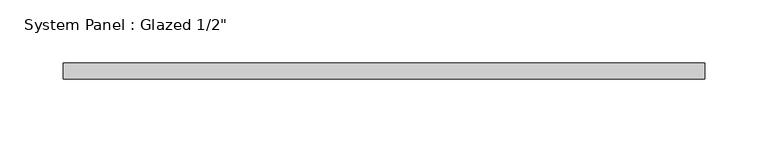
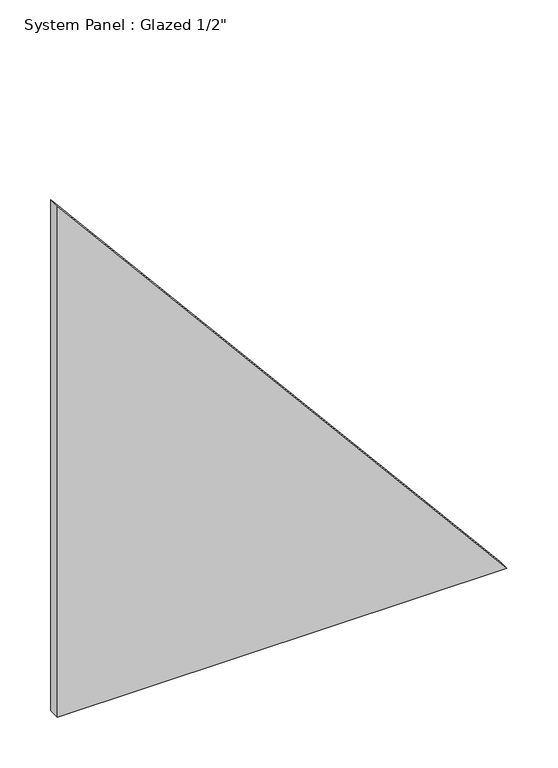
"""IFC4 building model written with IfcOpenShell, lengths in millimetres: plate geometry."""

import ifcopenshell
import ifcopenshell.guid

model = None  # the IFC model being written
_history = None  # IfcOwnerHistory: only IFC2X3 demands one
_inside = {}  # id of a spatial element -> (the spatial element, [elements in it])
_under = {}  # id of a project, library or spatial element -> (it, [spatial elements below it])
_declared = {}  # id of a project -> (the project, [libraries it declares])
_typed = {}  # id of a type object -> (the type object, [elements of that type])
_made_of = {}  # id of a material, layer set ... -> (it, [elements and type objects made of it])


def new_model(schema):
    """Start an empty IFC model of exactly this schema.

    Asked for "IFC4X3", IfcOpenShell would pick the latest addendum, in which some entities
    have other attributes; the version numbers below select the first issue.
    IFC2X3 requires an IfcOwnerHistory on every rooted entity: one is made here for all.
    """
    global model, _history
    if schema == "IFC4X3":
        model = ifcopenshell.file(schema_version=(4, 3, 0, 0))
    else:
        model = ifcopenshell.file(schema=schema)
    _inside.clear()
    _under.clear()
    _declared.clear()
    _typed.clear()
    _made_of.clear()
    _history = None
    if model.schema == "IFC2X3":
        org = make("IfcOrganization", Name="unknown")
        user = make(
            "IfcPersonAndOrganization",
            ThePerson=make("IfcPerson", FamilyName="unknown"),
            TheOrganization=org,
        )
        app = make(
            "IfcApplication",
            ApplicationDeveloper=org,
            Version="unknown",
            ApplicationFullName="unknown",
            ApplicationIdentifier="unknown",
        )
        _history = make(
            "IfcOwnerHistory",
            OwningUser=user,
            OwningApplication=app,
            ChangeAction="ADDED",
            CreationDate=0,
        )
    return model


def make(cls, **values):
    """One entity of the class cls with the attributes given. An attribute that is None is left unset."""
    return model.create_entity(
        cls, **{name: value for name, value in values.items() if value is not None}
    )


def rooted(cls, **values):
    """An entity with a GlobalId (a new one), such as an element, a storey or a relation."""
    return make(cls, GlobalId=ifcopenshell.guid.new(), OwnerHistory=_history, **values)


def si_unit(unit_type, name, prefix=None):
    """IfcSIUnit, for example si_unit("LENGTHUNIT", "METRE", prefix="MILLI")."""
    return make("IfcSIUnit", UnitType=unit_type, Prefix=prefix, Name=name)


def assignment(units):
    """IfcUnitAssignment: the units of a project."""
    return None if units is None else make("IfcUnitAssignment", Units=units)


def point(xyz):
    """IfcCartesianPoint."""
    return None if xyz is None else make("IfcCartesianPoint", Coordinates=xyz)


def direction(xyz):
    """IfcDirection."""
    return None if xyz is None else make("IfcDirection", DirectionRatios=xyz)


def frame(location, z_axis=None, x_axis=None):
    """IfcAxis2Placement3D, a coordinate frame: its origin and axes. An axis left out is left unset."""
    return make(
        "IfcAxis2Placement3D",
        Location=point(location),
        Axis=direction(z_axis),
        RefDirection=direction(x_axis),
    )


def origin():
    """The frame at (0, 0, 0) with its axes left unset."""
    return frame((0.0, 0.0, 0.0))


def place(relative_to, where):
    """IfcLocalPlacement: puts the frame where relative to a parent placement (None: the world)."""
    return make(
        "IfcLocalPlacement", PlacementRelTo=relative_to, RelativePlacement=where
    )


def context(
    kind, dimensions, precision=None, world=None, true_north=None, identifier=None
):
    """IfcGeometricRepresentationContext, for example the 3D "Model" context."""
    return make(
        "IfcGeometricRepresentationContext",
        ContextIdentifier=identifier,
        ContextType=kind,
        CoordinateSpaceDimension=dimensions,
        Precision=precision,
        WorldCoordinateSystem=world,
        TrueNorth=true_north,
    )


def project(units=None, contexts=None):
    """IfcProject with its units and contexts."""
    return rooted(
        "IfcProject",
        Name="project",
        RepresentationContexts=contexts,
        UnitsInContext=assignment(units),
    )


def spatial(cls, under=None, at=None, **own):
    """A site, building, storey or space (cls), placed at a placement, below another one or the project."""
    s = rooted(cls, ObjectPlacement=at, **own)
    if under is not None:
        _under.setdefault(under.id(), (under, []))[1].append(s)
    return s


def polyline(points):
    """IfcPolyline through the points."""
    return make("IfcPolyline", Points=[point(p) for p in points])


def outline(outer, holes=None, kind="AREA"):
    """IfcArbitraryClosedProfileDef: a profile drawn as a closed curve; with holes, ...WithVoids."""
    if holes is None:
        return make("IfcArbitraryClosedProfileDef", ProfileType=kind, OuterCurve=outer)
    return make(
        "IfcArbitraryProfileDefWithVoids",
        ProfileType=kind,
        OuterCurve=outer,
        InnerCurves=holes,
    )


def extrude(swept, where, along, depth):
    """IfcExtrudedAreaSolid: the profile swept, set in the frame where, extruded along a direction by depth."""
    return make(
        "IfcExtrudedAreaSolid",
        SweptArea=swept,
        Position=where,
        ExtrudedDirection=direction(along),
        Depth=depth,
    )


def shape(context_of_items, identifier, shape_type, items):
    """IfcShapeRepresentation: the items that make up one representation, for example the "Body"."""
    return make(
        "IfcShapeRepresentation",
        ContextOfItems=context_of_items,
        RepresentationIdentifier=identifier,
        RepresentationType=shape_type,
        Items=items,
    )


def source(mapping_origin, context_of_items, identifier, shape_type, items):
    """IfcRepresentationMap: a shape defined once, which mapped items show again and again."""
    return make(
        "IfcRepresentationMap",
        MappingOrigin=mapping_origin,
        MappedRepresentation=shape(context_of_items, identifier, shape_type, items),
    )


def transform(
    local_origin,
    x_axis=None,
    y_axis=None,
    z_axis=None,
    scale=None,
    scale2=None,
    scale3=None,
    uniform=True,
):
    """IfcCartesianTransformationOperator3D, or its non-uniform kind. x_axis, y_axis, z_axis: its Axis1, 2, 3."""
    if uniform:
        return make(
            "IfcCartesianTransformationOperator3D",
            Axis1=direction(x_axis),
            Axis2=direction(y_axis),
            LocalOrigin=point(local_origin),
            Scale=scale,
            Axis3=direction(z_axis),
        )
    return make(
        "IfcCartesianTransformationOperator3DnonUniform",
        Axis1=direction(x_axis),
        Axis2=direction(y_axis),
        LocalOrigin=point(local_origin),
        Scale=scale,
        Axis3=direction(z_axis),
        Scale2=scale2,
        Scale3=scale3,
    )


def mapped(mapping_source, mapping_target):
    """IfcMappedItem: shows the shape of a source again, moved by a transform."""
    return make(
        "IfcMappedItem", MappingSource=mapping_source, MappingTarget=mapping_target
    )


def made_of(thing, what):
    """Note that an element or type object is made of a material, layer set ...; save() writes the relation."""
    if what is not None:
        _made_of.setdefault(what.id(), (what, []))[1].append(thing)
    return thing


def element(
    cls,
    number,
    at=None,
    inside=None,
    cuts=None,
    type_object=None,
    material=None,
    context=None,
    identifier="Body",
    shape_type=None,
    held_by="IfcProductDefinitionShape",
    body=None,
    shapes=None,
    **own,
):
    """One element of the class cls, such as IfcWall. Its Tag is "e" and its number.

    at: its placement. inside: the storey or other place that contains it. cuts: it is an
    opening in that element (IfcRelVoidsElement). A single representation is given by context,
    identifier, shape_type and body (its items); several are given by shapes. held_by: the class
    of the entity that holds the representations. save() writes the other relations.
    """
    e = rooted(cls, Tag="e%d" % number, ObjectPlacement=at, **own)
    if body is not None:
        shapes = [shape(context, identifier, shape_type, body)]
    if shapes is not None:
        e.Representation = make(held_by, Representations=shapes)
    if inside is not None:
        _inside.setdefault(inside.id(), (inside, []))[1].append(e)
    if cuts is not None:
        rooted(
            "IfcRelVoidsElement", RelatingBuildingElement=cuts, RelatedOpeningElement=e
        )
    if type_object is not None:
        _typed.setdefault(type_object.id(), (type_object, []))[1].append(e)
    return made_of(e, material)


def aggregate(whole, parts):
    """IfcRelAggregates: a whole, such as a stair, and the parts it consists of."""
    return rooted("IfcRelAggregates", RelatingObject=whole, RelatedObjects=parts)


def save(model, path):
    """Write the relations noted so far, then the file.

    IfcRelAggregates (storeys below a building ...), IfcRelContainedInSpatialStructure (elements
    in a storey), IfcRelDefinesByType, IfcRelAssociatesMaterial and IfcRelDeclares: one each for
    every whole, place, type object, material and project.
    """
    for whole, parts in _under.values():
        aggregate(whole, parts)
    for where, things in _inside.values():
        rooted(
            "IfcRelContainedInSpatialStructure",
            RelatedElements=things,
            RelatingStructure=where,
        )
    for kind, things in _typed.values():
        rooted("IfcRelDefinesByType", RelatedObjects=things, RelatingType=kind)
    for what, things in _made_of.values():
        rooted("IfcRelAssociatesMaterial", RelatedObjects=things, RelatingMaterial=what)
    for by, libraries in _declared.values():
        rooted("IfcRelDeclares", RelatingContext=by, RelatedDefinitions=libraries)
    model.write(path)


def plate_1008703b(model_context):
    return source(origin(), model_context, "Body", "SweptSolid", [
        extrude(outline(polyline([(0.0, -254.4446542), (0.0, 254.4446542), (611.6088316, -254.4446542), (0.0, -254.4446542)])), frame((0.0, -6.35, 0.0), z_axis=(0.0, 1.0, 0.0), x_axis=(0.0, 0.0, 1.0)), (0.0, 0.0, 1.0), 12.7),
    ])


if __name__ == "__main__":
    model = new_model("IFC4")
    model_context = context("Model", 3, world=origin())
    ifc_project = project(units=[si_unit("LENGTHUNIT", "METRE", prefix="MILLI")], contexts=[model_context])
    site = spatial("IfcSite", under=ifc_project)
    building = spatial("IfcBuilding", under=site)
    placement = place(None, origin())
    plate_shape = plate_1008703b(model_context)
    element("IfcPlate", 1, ObjectType="System Panel : Glazed 1/2\"", at=placement, inside=building, context=model_context, shape_type="MappedRepresentation", body=[
        mapped(plate_shape, transform((0.0, 0.0, 0.0), x_axis=(1.0, 0.0, 0.0), y_axis=(0.0, 1.0, 0.0), z_axis=(0.0, 0.0, 1.0))),
    ])
    save(model, "model.ifc")
